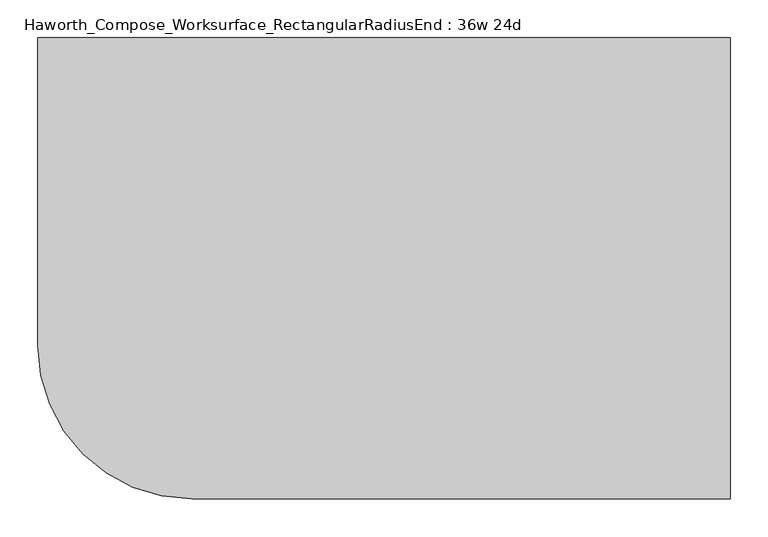
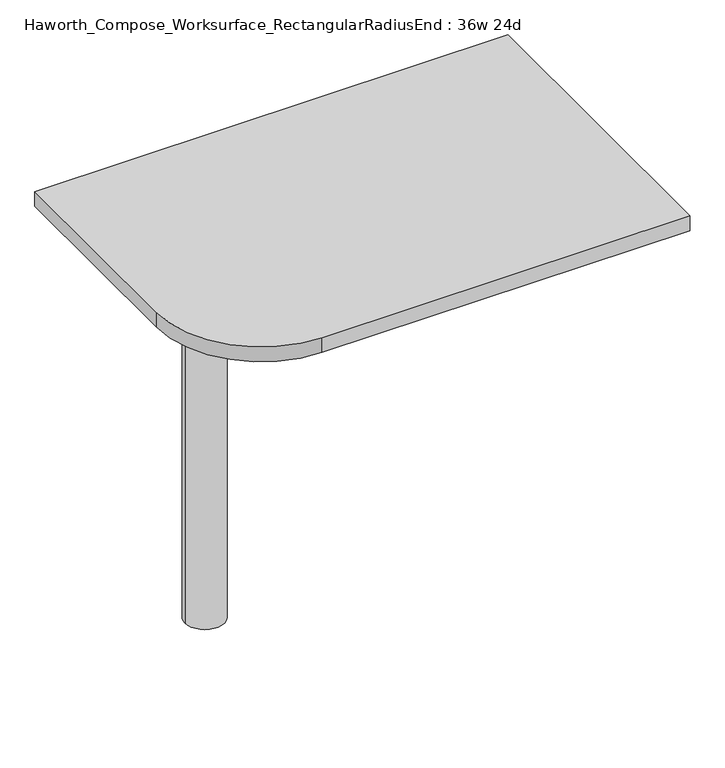
"""IFC4 building model written with IfcOpenShell, lengths in millimetres: furniture geometry, Haworth_Compose_Worksurface_RectangularRadiusEnd : 36w 24d."""

from ifc_helpers import new_model, si_unit, point, frame, frame_2d, origin, place, context, project, spatial, polyline, circle_curve, trimmed, segment, composite_curve, outline, extrude, source, transform, mapped, element, save
from ifc_brep_helpers import plane_surface, cylinder_surface, revolved_surface, advanced_brep


def haworth_compose_worksurface_rectangularradiusend_36w_24d_a8c0a044(model_context):
    return source(origin(), model_context, "Body", "SolidModel", [
        advanced_brep(
        [(451.64375, 304.8, 475.45625), (451.64375, 288.925, 475.45625), (451.64375, -101.6, 691.7192568), (451.64375, -101.6, 704.05625), (451.64375, 288.925, 704.05625), (451.64375, 304.8, 704.05625), (451.64375, 221.490072, 665.95625), (451.64375, 177.8355284, 665.95625), (451.64375, 175.1564235, 656.3705539), (451.64375, 266.8776173, 605.5776439), (451.64375, 276.225, 611.1756969), (451.64375, 276.225, 634.6860246), (451.64375, 274.4730055, 637.5242776), (451.64375, 224.5663437, 665.1613425), (454.025, 304.8, 475.45625), (454.025, 304.8, 704.05625), (454.025, 288.925, 704.05625), (454.025, 288.925, 706.4375), (454.025, -101.6, 706.4375), (454.025, -101.6, 691.7192568), (454.025, 288.925, 475.45625), (454.025, 221.490072, 665.95625), (454.025, 224.5663437, 665.1613425), (454.025, 274.4730055, 637.5242776), (454.025, 276.225, 634.6860246), (454.025, 276.225, 611.1756969), (454.025, 266.8776173, 605.5776439), (454.025, 175.1564235, 656.3705539), (454.025, 177.8355284, 665.95625), (412.75, -101.6, 706.4375), (412.75, -101.6, 704.05625), (412.75, 288.925, 704.05625), (412.75, 288.925, 706.4375)],
        [
            (0, 1),
            (1, 2),
            (2, 3),
            (3, 4),
            (4, 5),
            (5, 0),
            (6, 7),
            (7, 8, circle_curve(frame((451.64375, 177.8355284, 660.7890106), z_axis=(1.0, 0.0, 0.0), x_axis=(0.0, -1.0, 0.0)), 5.1672394)),
            (8, 9),
            (9, 10, circle_curve(frame((451.64375, 269.875, 611.1756969), z_axis=(1.0, 0.0, 0.0), x_axis=(0.0, -1.0, 0.0)), 6.35)),
            (10, 11),
            (11, 12, circle_curve(frame((451.64375, 273.05, 634.6860246), z_axis=(1.0, 0.0, 0.0), x_axis=(0.0, -1.0, 0.0)), 3.175)),
            (12, 13),
            (13, 6, circle_curve(frame((451.64375, 221.490072, 659.60625), z_axis=(1.0, 0.0, 0.0), x_axis=(0.0, -1.0, 0.0)), 6.35)),
            (14, 15),
            (15, 16),
            (16, 17),
            (17, 18),
            (18, 19),
            (19, 20),
            (20, 14),
            (21, 22, circle_curve(frame((454.025, 221.490072, 659.60625), z_axis=(-1.0, 0.0, 0.0), x_axis=(0.0, -1.0, 0.0)), 6.35)),
            (22, 23),
            (23, 24, circle_curve(frame((454.025, 273.05, 634.6860246), z_axis=(-1.0, 0.0, 0.0), x_axis=(0.0, -1.0, 0.0)), 3.175)),
            (24, 25),
            (25, 26, circle_curve(frame((454.025, 269.875, 611.1756969), z_axis=(-1.0, 0.0, 0.0), x_axis=(0.0, -1.0, 0.0)), 6.35)),
            (26, 27),
            (27, 28, circle_curve(frame((454.025, 177.8355284, 660.7890106), z_axis=(-1.0, 0.0, 0.0), x_axis=(0.0, -1.0, 0.0)), 5.1672394)),
            (28, 21),
            (4, 16),
            (15, 5),
            (14, 0),
            (20, 1),
            (19, 2),
            (18, 29),
            (29, 30),
            (30, 3),
            (6, 21),
            (28, 7),
            (9, 26),
            (25, 10),
            (24, 11),
            (23, 12),
            (27, 8),
            (31, 4),
            (30, 31),
            (32, 29),
            (17, 32),
            (31, 32),
            (22, 13),
        ],
        [
            plane_surface(frame((451.64375, 304.8, 475.45625), z_axis=(-1.0, 0.0, 0.0), x_axis=(0.0, 1.0, 0.0))),
            plane_surface(frame((454.025, 304.8, 475.45625), z_axis=(1.0, 0.0, 0.0), x_axis=(0.0, -1.0, 0.0))),
            plane_surface(frame((454.025, -101.6, 704.05625), z_axis=(0.0, 0.0, 1.0), x_axis=(-1.0, 0.0, 0.0))),
            plane_surface(frame((454.025, 304.8, 704.05625), z_axis=(0.0, 1.0, 0.0), x_axis=(-1.0, 0.0, 0.0))),
            plane_surface(frame((454.025, 304.8, 475.45625), z_axis=(0.0, 0.0, -1.0), x_axis=(-1.0, 0.0, 0.0))),
            plane_surface(frame((454.025, 288.925, 475.45625), z_axis=(0.0, -0.48445223513455843, -0.8748177135112952), x_axis=(-1.0, 0.0, 0.0))),
            plane_surface(frame((454.025, -101.6, 691.7192568), z_axis=(0.0, -1.0, 0.0), x_axis=(-1.0, 0.0, 0.0))),
            plane_surface(frame((454.025, 221.490072, 665.95625), z_axis=(0.0, 0.0, -1.0), x_axis=(-1.0, 0.0, 0.0))),
            revolved_surface(polyline([(451.64375, 263.525, 611.1756969), (454.025, 263.525, 611.1756969)]), (454.025, 269.875, 611.1756969), (-1.0, 0.0, 0.0)),
            plane_surface(frame((454.025, 276.225, 611.1756969), z_axis=(0.0, -1.0, 0.0), x_axis=(-1.0, 0.0, 0.0))),
            revolved_surface(polyline([(451.64375, 269.875, 634.6860246), (454.025, 269.875, 634.6860246)]), (454.025, 273.05, 634.6860246), (-1.0, 0.0, 0.0)),
            revolved_surface(polyline([(451.64375, 172.668289, 660.7890106), (454.025, 172.668289, 660.7890106)]), (454.025, 177.8355284, 660.7890106), (-1.0, 0.0, 0.0)),
            plane_surface(frame((454.025, 288.925, 704.05625), z_axis=(0.0, 0.0, -1.0), x_axis=(-1.0, 0.0, 0.0))),
            plane_surface(frame((454.025, 288.925, 706.4375), z_axis=(0.0, 0.0, 1.0), x_axis=(1.0, 0.0, 0.0))),
            plane_surface(frame((412.75, 288.925, 706.4375), z_axis=(0.0, 1.0, 0.0), x_axis=(0.0, 0.0, -1.0))),
            plane_surface(frame((412.75, -101.6, 706.4375), z_axis=(-1.0, 0.0, 0.0), x_axis=(0.0, 0.0, -1.0))),
            plane_surface(frame((454.025, 175.1564235, 656.3705539), z_axis=(0.0, 0.4844522351345583, 0.8748177135112953), x_axis=(-1.0, 0.0, 0.0))),
            plane_surface(frame((454.025, 274.4730055, 637.5242776), z_axis=(0.0, -0.4844522351345582, -0.8748177135112953), x_axis=(-1.0, 0.0, 0.0))),
            revolved_surface(polyline([(451.64375, 215.140072, 659.60625), (454.025, 215.140072, 659.60625)]), (454.025, 221.490072, 659.60625), (-1.0, 0.0, 0.0)),
        ],
        [
            (0, [[1, 2, 3, 4, 5, 6], [7, 8, 9, 10, 11, 12, 13, 14]]),
            (1, [[15, 16, 17, 18, 19, 20, 21], [22, 23, 24, 25, 26, 27, 28, 29]]),
            (2, [[-5, 30, -16, 31]]),
            (3, [[-31, -15, 32, -6]]),
            (4, [[-32, -21, 33, -1]]),
            (5, [[-33, -20, 34, -2]]),
            (6, [[-34, -19, 35, 36, 37, -3]]),
            (7, [[38, -29, 39, -7]]),
            (8, [[40, -26, 41, -10]]),
            (9, [[-41, -25, 42, -11]]),
            (10, [[-42, -24, 43, -12]]),
            (11, [[-39, -28, 44, -8]]),
            (12, [[45, -4, -37, 46]]),
            (13, [[47, -35, -18, 48]]),
            (14, [[-17, -30, -45, 49, -48]]),
            (15, [[-36, -47, -49, -46]]),
            (16, [[-44, -27, -40, -9]]),
            (17, [[-43, -23, 50, -13]]),
            (18, [[-50, -22, -38, -14]]),
        ],
    ),
        advanced_brep(
        [(-266.7, 0.0, 706.4375), (-342.9, 0.0, 706.4375), (-304.8, 0.0, 706.4375), (-266.7, 0.0, 0.0), (-342.9, 0.0, 0.0), (-304.8, 0.0, 0.0)],
        [
            (0, 1, circle_curve(frame((-304.8, 0.0, 706.4375), z_axis=(0.0, 0.0, 1.0), x_axis=(-1.0, 0.0, 0.0)), 38.1)),
            (1, 2),
            (2, 0),
            (1, 0, circle_curve(frame((-304.8, 0.0, 706.4375), z_axis=(0.0, 0.0, 1.0), x_axis=(-1.0, 0.0, 0.0)), 38.1)),
            (3, 4, circle_curve(frame((-304.8, 0.0, 0.0), z_axis=(0.0, 0.0, 1.0), x_axis=(-1.0, 0.0, 0.0)), 38.1)),
            (4, 1),
            (0, 3),
            (4, 3, circle_curve(frame((-304.8, 0.0, 0.0), z_axis=(0.0, 0.0, 1.0), x_axis=(-1.0, 0.0, 0.0)), 38.1)),
            (5, 4),
            (3, 5),
        ],
        [
            plane_surface(frame((-304.8, 0.0, 706.4375), z_axis=(0.0, 0.0, 1.0), x_axis=(-1.0, 0.0, 0.0))),
            cylinder_surface(frame((-304.8, 0.0, 889.623257), z_axis=(0.0, 0.0, -1.0), x_axis=(-1.0, 0.0, 0.0)), 38.1),
            plane_surface(frame((-304.8, 0.0, 0.0), z_axis=(0.0, 0.0, -1.0), x_axis=(-1.0, 0.0, 0.0))),
        ],
        [
            (0, [[1, 2, 3]]),
            (0, [[4, -3, -2]]),
            (1, [[5, 6, -1, 7]]),
            (1, [[8, -7, -4, -6]]),
            (2, [[9, -5, 10]]),
            (2, [[-10, -8, -9]]),
        ],
    ),
        extrude(outline(composite_curve([segment(polyline([(457.2, 304.8), (457.2, -304.8), (-254.0, -304.8)]), True, "CONTINUOUS"), segment(trimmed(circle_curve(frame_2d((-254.0, -101.6)), 203.2), [point((-254.0, -304.8))], [point((-457.2, -101.6))], False, "CARTESIAN"), True, "CONTINUOUS"), segment(polyline([(-457.2, -101.6), (-457.2, 304.8), (457.2, 304.8)]), True, "CONTINUOUS")], self_intersect=False)), frame((0.0, 0.0, 706.4375), z_axis=(0.0, 0.0, 1.0), x_axis=(1.0, 0.0, 0.0)), (0.0, 0.0, 1.0), 30.1625),
    ])


if __name__ == "__main__":
    model = new_model("IFC4")
    model_context = context("Model", 3, world=origin())
    ifc_project = project(units=[si_unit("LENGTHUNIT", "METRE", prefix="MILLI")], contexts=[model_context])
    site = spatial("IfcSite", under=ifc_project)
    building = spatial("IfcBuilding", under=site)
    placement = place(None, origin())
    haworth_compose_worksurface_rectangularradiusend_36w_24d_shape = haworth_compose_worksurface_rectangularradiusend_36w_24d_a8c0a044(model_context)
    element("IfcFurniture", 1, ObjectType="Haworth_Compose_Worksurface_RectangularRadiusEnd : 36w 24d", at=placement, inside=building, context=model_context, shape_type="MappedRepresentation", body=[
        mapped(haworth_compose_worksurface_rectangularradiusend_36w_24d_shape, transform((0.0, 0.0, 0.0), x_axis=(1.0, 0.0, 0.0), y_axis=(0.0, 1.0, 0.0), z_axis=(0.0, 0.0, 1.0))),
    ])
    save(model, "model.ifc")
